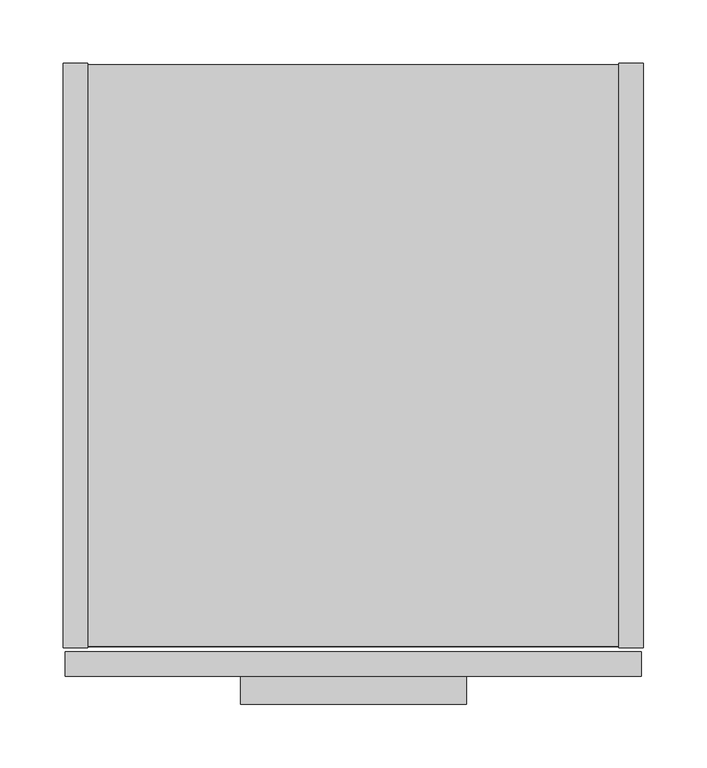
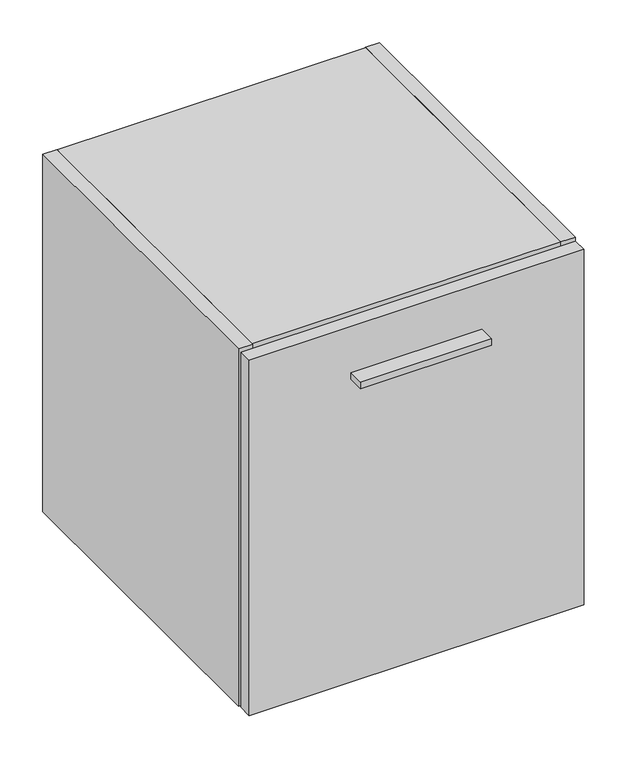
"""IFC4 building model written with IfcOpenShell, lengths in millimetres: furniture geometry."""

from ifc_helpers import new_model, si_unit, point, frame, frame_2d, origin, place, context, project, spatial, polyline, circle_curve, trimmed, segment, composite_curve, outline, extrude, source, transform, mapped, element, save


def furniture_86040e88(model_context):
    return source(origin(), model_context, "Body", "SweptSolid", [
        extrude(outline(polyline([(317.5, -504.825), (139.7, -504.825), (139.7, -482.6), (317.5, -482.6), (317.5, -504.825)])), frame((0.0, 0.0, 809.9425), z_axis=(0.0, 0.0, 1.0), x_axis=(1.0, 0.0, 0.0)), (0.0, 0.0, 1.0), 9.525),
        extrude(outline(polyline([(455.6125, -482.6), (1.5875, -482.6), (1.5875, -463.296), (455.6125, -463.296), (455.6125, -482.6)])), frame((0.0, 0.0, 376.4026), z_axis=(0.0, 0.0, 1.0), x_axis=(1.0, 0.0, 0.0)), (0.0, 0.0, 1.0), 509.4224),
        extrude(outline(polyline([(19.304, 0.0), (19.304, -460.121), (0.0, -460.121), (0.0, 0.0), (19.304, 0.0)])), frame((0.0, 0.0, 376.428), z_axis=(0.0, 0.0, 1.0), x_axis=(1.0, 0.0, 0.0)), (0.0, 0.0, 1.0), 512.572),
        extrude(outline(composite_curve([segment(polyline([(-460.121, 889.0), (0.0, 889.0), (0.0, 812.292), (-9.3963729, 812.292)]), True, "CONTINUOUS"), segment(trimmed(circle_curve(frame_2d((-9.3963729, 808.9883729)), 3.3036271), [point((-9.3963729, 812.292))], [point((-12.7, 808.9883729))], True, "CARTESIAN"), True, "CONTINUOUS"), segment(polyline([(-12.7, 808.9883729), (-12.7, 707.644)]), True, "CONTINUOUS"), segment(trimmed(circle_curve(frame_2d((-9.398, 707.644)), 3.302), [point((-12.7, 707.644))], [point((-9.398, 704.342))], True, "CARTESIAN"), True, "CONTINUOUS"), segment(polyline([(-9.398, 704.342), (0.0, 704.342), (0.0, 376.428), (-460.121, 376.428), (-460.121, 889.0)]), True, "CONTINUOUS")], self_intersect=False)), frame((437.896, 0.0, 0.0), z_axis=(1.0, 0.0, 0.0), x_axis=(0.0, 1.0, 0.0)), (0.0, 0.0, 1.0), 19.304),
        extrude(outline(polyline([(437.896, -0.9906), (437.896, -459.1304), (19.304, -459.1304), (19.304, -0.9906), (437.896, -0.9906)])), frame((0.0, 0.0, 377.4186), z_axis=(0.0, 0.0, 1.0), x_axis=(1.0, 0.0, 0.0)), (0.0, 0.0, 1.0), 19.304),
        extrude(outline(composite_curve([segment(polyline([(-32.004, 869.696), (-11.938, 869.696), (-11.938, 811.0988429)]), True, "CONTINUOUS"), segment(trimmed(circle_curve(frame_2d((-9.3963729, 808.9883729)), 3.3036271), [point((-11.938, 811.0988429))], [point((-12.7, 808.9883729))], True, "CARTESIAN"), True, "CONTINUOUS"), segment(polyline([(-12.7, 808.9883729), (-12.7, 707.644)]), True, "CONTINUOUS"), segment(trimmed(circle_curve(frame_2d((-9.398, 707.644)), 3.302), [point((-12.7, 707.644))], [point((-11.938, 705.5341175))], True, "CARTESIAN"), True, "CONTINUOUS"), segment(polyline([(-11.938, 705.5341175), (-11.938, 396.7226), (-32.004, 396.7226), (-32.004, 869.696)]), True, "CONTINUOUS")], self_intersect=False)), frame((19.304, 0.0, 0.0), z_axis=(1.0, 0.0, 0.0), x_axis=(0.0, 1.0, 0.0)), (0.0, 0.0, 1.0), 418.592),
        extrude(outline(polyline([(437.896, -459.1304), (19.304, -459.1304), (19.304, -0.9906), (437.896, -0.9906), (437.896, -459.1304)])), frame((0.0, 0.0, 869.696), z_axis=(0.0, 0.0, 1.0), x_axis=(1.0, 0.0, 0.0)), (0.0, 0.0, 1.0), 19.304),
    ])


if __name__ == "__main__":
    model = new_model("IFC4")
    model_context = context("Model", 3, world=origin())
    ifc_project = project(units=[si_unit("LENGTHUNIT", "METRE", prefix="MILLI")], contexts=[model_context])
    site = spatial("IfcSite", under=ifc_project)
    building = spatial("IfcBuilding", under=site)
    placement = place(None, origin())
    furniture_shape = furniture_86040e88(model_context)
    element("IfcFurniture", 1, at=placement, inside=building, context=model_context, shape_type="MappedRepresentation", body=[
        mapped(furniture_shape, transform((0.0, 0.0, 0.0), x_axis=(1.0, 0.0, 0.0), y_axis=(0.0, 1.0, 0.0), z_axis=(0.0, 0.0, 1.0))),
    ])
    save(model, "model.ifc")
